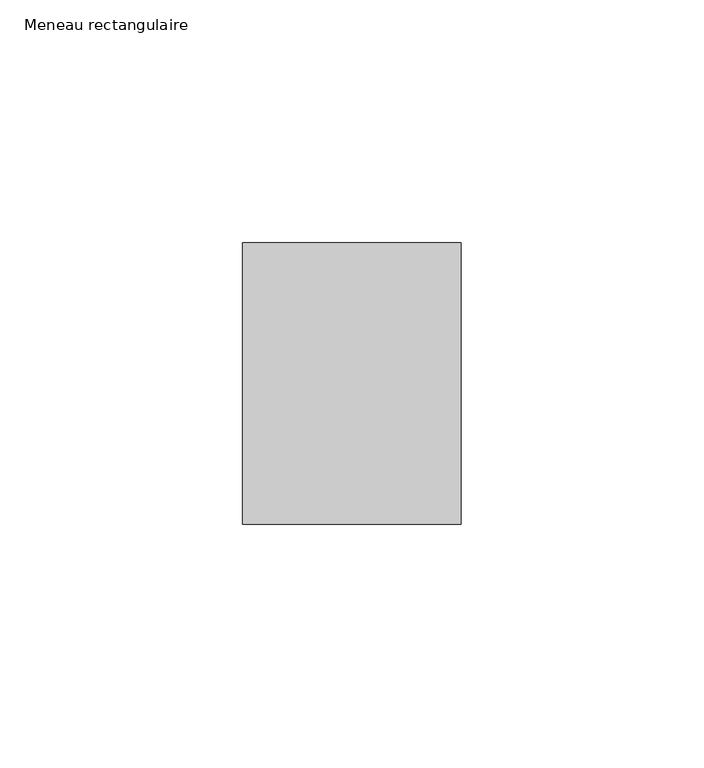
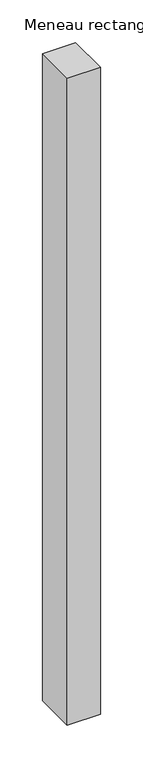
"""IFC4 building model written with IfcOpenShell, lengths in millimetres: member geometry, Meneau rectangulaire."""

import ifcopenshell
import ifcopenshell.guid

model = None  # the IFC model being written
_history = None  # IfcOwnerHistory: only IFC2X3 demands one
_inside = {}  # id of a spatial element -> (the spatial element, [elements in it])
_under = {}  # id of a project, library or spatial element -> (it, [spatial elements below it])
_declared = {}  # id of a project -> (the project, [libraries it declares])
_typed = {}  # id of a type object -> (the type object, [elements of that type])
_made_of = {}  # id of a material, layer set ... -> (it, [elements and type objects made of it])


def new_model(schema):
    """Start an empty IFC model of exactly this schema.

    Asked for "IFC4X3", IfcOpenShell would pick the latest addendum, in which some entities
    have other attributes; the version numbers below select the first issue.
    IFC2X3 requires an IfcOwnerHistory on every rooted entity: one is made here for all.
    """
    global model, _history
    if schema == "IFC4X3":
        model = ifcopenshell.file(schema_version=(4, 3, 0, 0))
    else:
        model = ifcopenshell.file(schema=schema)
    _inside.clear()
    _under.clear()
    _declared.clear()
    _typed.clear()
    _made_of.clear()
    _history = None
    if model.schema == "IFC2X3":
        org = make("IfcOrganization", Name="unknown")
        user = make(
            "IfcPersonAndOrganization",
            ThePerson=make("IfcPerson", FamilyName="unknown"),
            TheOrganization=org,
        )
        app = make(
            "IfcApplication",
            ApplicationDeveloper=org,
            Version="unknown",
            ApplicationFullName="unknown",
            ApplicationIdentifier="unknown",
        )
        _history = make(
            "IfcOwnerHistory",
            OwningUser=user,
            OwningApplication=app,
            ChangeAction="ADDED",
            CreationDate=0,
        )
    return model


def make(cls, **values):
    """One entity of the class cls with the attributes given. An attribute that is None is left unset."""
    return model.create_entity(
        cls, **{name: value for name, value in values.items() if value is not None}
    )


def rooted(cls, **values):
    """An entity with a GlobalId (a new one), such as an element, a storey or a relation."""
    return make(cls, GlobalId=ifcopenshell.guid.new(), OwnerHistory=_history, **values)


def si_unit(unit_type, name, prefix=None):
    """IfcSIUnit, for example si_unit("LENGTHUNIT", "METRE", prefix="MILLI")."""
    return make("IfcSIUnit", UnitType=unit_type, Prefix=prefix, Name=name)


def assignment(units):
    """IfcUnitAssignment: the units of a project."""
    return None if units is None else make("IfcUnitAssignment", Units=units)


def point(xyz):
    """IfcCartesianPoint."""
    return None if xyz is None else make("IfcCartesianPoint", Coordinates=xyz)


def direction(xyz):
    """IfcDirection."""
    return None if xyz is None else make("IfcDirection", DirectionRatios=xyz)


def frame(location, z_axis=None, x_axis=None):
    """IfcAxis2Placement3D, a coordinate frame: its origin and axes. An axis left out is left unset."""
    return make(
        "IfcAxis2Placement3D",
        Location=point(location),
        Axis=direction(z_axis),
        RefDirection=direction(x_axis),
    )


def origin():
    """The frame at (0, 0, 0) with its axes left unset."""
    return frame((0.0, 0.0, 0.0))


def place(relative_to, where):
    """IfcLocalPlacement: puts the frame where relative to a parent placement (None: the world)."""
    return make(
        "IfcLocalPlacement", PlacementRelTo=relative_to, RelativePlacement=where
    )


def context(
    kind, dimensions, precision=None, world=None, true_north=None, identifier=None
):
    """IfcGeometricRepresentationContext, for example the 3D "Model" context."""
    return make(
        "IfcGeometricRepresentationContext",
        ContextIdentifier=identifier,
        ContextType=kind,
        CoordinateSpaceDimension=dimensions,
        Precision=precision,
        WorldCoordinateSystem=world,
        TrueNorth=true_north,
    )


def project(units=None, contexts=None):
    """IfcProject with its units and contexts."""
    return rooted(
        "IfcProject",
        Name="project",
        RepresentationContexts=contexts,
        UnitsInContext=assignment(units),
    )


def spatial(cls, under=None, at=None, **own):
    """A site, building, storey or space (cls), placed at a placement, below another one or the project."""
    s = rooted(cls, ObjectPlacement=at, **own)
    if under is not None:
        _under.setdefault(under.id(), (under, []))[1].append(s)
    return s


def polyline(points):
    """IfcPolyline through the points."""
    return make("IfcPolyline", Points=[point(p) for p in points])


def outline(outer, holes=None, kind="AREA"):
    """IfcArbitraryClosedProfileDef: a profile drawn as a closed curve; with holes, ...WithVoids."""
    if holes is None:
        return make("IfcArbitraryClosedProfileDef", ProfileType=kind, OuterCurve=outer)
    return make(
        "IfcArbitraryProfileDefWithVoids",
        ProfileType=kind,
        OuterCurve=outer,
        InnerCurves=holes,
    )


def extrude(swept, where, along, depth):
    """IfcExtrudedAreaSolid: the profile swept, set in the frame where, extruded along a direction by depth."""
    return make(
        "IfcExtrudedAreaSolid",
        SweptArea=swept,
        Position=where,
        ExtrudedDirection=direction(along),
        Depth=depth,
    )


def shape(context_of_items, identifier, shape_type, items):
    """IfcShapeRepresentation: the items that make up one representation, for example the "Body"."""
    return make(
        "IfcShapeRepresentation",
        ContextOfItems=context_of_items,
        RepresentationIdentifier=identifier,
        RepresentationType=shape_type,
        Items=items,
    )


def source(mapping_origin, context_of_items, identifier, shape_type, items):
    """IfcRepresentationMap: a shape defined once, which mapped items show again and again."""
    return make(
        "IfcRepresentationMap",
        MappingOrigin=mapping_origin,
        MappedRepresentation=shape(context_of_items, identifier, shape_type, items),
    )


def transform(
    local_origin,
    x_axis=None,
    y_axis=None,
    z_axis=None,
    scale=None,
    scale2=None,
    scale3=None,
    uniform=True,
):
    """IfcCartesianTransformationOperator3D, or its non-uniform kind. x_axis, y_axis, z_axis: its Axis1, 2, 3."""
    if uniform:
        return make(
            "IfcCartesianTransformationOperator3D",
            Axis1=direction(x_axis),
            Axis2=direction(y_axis),
            LocalOrigin=point(local_origin),
            Scale=scale,
            Axis3=direction(z_axis),
        )
    return make(
        "IfcCartesianTransformationOperator3DnonUniform",
        Axis1=direction(x_axis),
        Axis2=direction(y_axis),
        LocalOrigin=point(local_origin),
        Scale=scale,
        Axis3=direction(z_axis),
        Scale2=scale2,
        Scale3=scale3,
    )


def mapped(mapping_source, mapping_target):
    """IfcMappedItem: shows the shape of a source again, moved by a transform."""
    return make(
        "IfcMappedItem", MappingSource=mapping_source, MappingTarget=mapping_target
    )


def made_of(thing, what):
    """Note that an element or type object is made of a material, layer set ...; save() writes the relation."""
    if what is not None:
        _made_of.setdefault(what.id(), (what, []))[1].append(thing)
    return thing


def element(
    cls,
    number,
    at=None,
    inside=None,
    cuts=None,
    type_object=None,
    material=None,
    context=None,
    identifier="Body",
    shape_type=None,
    held_by="IfcProductDefinitionShape",
    body=None,
    shapes=None,
    **own,
):
    """One element of the class cls, such as IfcWall. Its Tag is "e" and its number.

    at: its placement. inside: the storey or other place that contains it. cuts: it is an
    opening in that element (IfcRelVoidsElement). A single representation is given by context,
    identifier, shape_type and body (its items); several are given by shapes. held_by: the class
    of the entity that holds the representations. save() writes the other relations.
    """
    e = rooted(cls, Tag="e%d" % number, ObjectPlacement=at, **own)
    if body is not None:
        shapes = [shape(context, identifier, shape_type, body)]
    if shapes is not None:
        e.Representation = make(held_by, Representations=shapes)
    if inside is not None:
        _inside.setdefault(inside.id(), (inside, []))[1].append(e)
    if cuts is not None:
        rooted(
            "IfcRelVoidsElement", RelatingBuildingElement=cuts, RelatedOpeningElement=e
        )
    if type_object is not None:
        _typed.setdefault(type_object.id(), (type_object, []))[1].append(e)
    return made_of(e, material)


def aggregate(whole, parts):
    """IfcRelAggregates: a whole, such as a stair, and the parts it consists of."""
    return rooted("IfcRelAggregates", RelatingObject=whole, RelatedObjects=parts)


def save(model, path):
    """Write the relations noted so far, then the file.

    IfcRelAggregates (storeys below a building ...), IfcRelContainedInSpatialStructure (elements
    in a storey), IfcRelDefinesByType, IfcRelAssociatesMaterial and IfcRelDeclares: one each for
    every whole, place, type object, material and project.
    """
    for whole, parts in _under.values():
        aggregate(whole, parts)
    for where, things in _inside.values():
        rooted(
            "IfcRelContainedInSpatialStructure",
            RelatedElements=things,
            RelatingStructure=where,
        )
    for kind, things in _typed.values():
        rooted("IfcRelDefinesByType", RelatedObjects=things, RelatingType=kind)
    for what, things in _made_of.values():
        rooted("IfcRelAssociatesMaterial", RelatedObjects=things, RelatingMaterial=what)
    for by, libraries in _declared.values():
        rooted("IfcRelDeclares", RelatingContext=by, RelatedDefinitions=libraries)
    model.write(path)


def meneau_rectangulaire_146bd065(model_context):
    return source(origin(), model_context, "Body", "SweptSolid", [
        extrude(outline(polyline([(0.0, 29.0), (0.0, -29.0), (-45.0, -29.0), (-45.0, 29.0), (0.0, 29.0)])), frame((0.0, 0.0, -925.5040491), z_axis=(0.0, 0.0, 1.0), x_axis=(1.0, 0.0, 0.0)), (0.0, 0.0, 1.0), 925.5040491),
    ])


if __name__ == "__main__":
    model = new_model("IFC4")
    model_context = context("Model", 3, world=origin())
    ifc_project = project(units=[si_unit("LENGTHUNIT", "METRE", prefix="MILLI")], contexts=[model_context])
    site = spatial("IfcSite", under=ifc_project)
    building = spatial("IfcBuilding", under=site)
    placement = place(None, origin())
    meneau_rectangulaire_shape = meneau_rectangulaire_146bd065(model_context)
    element("IfcMember", 1, ObjectType="Meneau rectangulaire", at=placement, inside=building, context=model_context, shape_type="MappedRepresentation", body=[
        mapped(meneau_rectangulaire_shape, transform((0.0, 0.0, 0.0), x_axis=(1.0, 0.0, 0.0), y_axis=(0.0, 1.0, 0.0), z_axis=(0.0, 0.0, 1.0))),
    ])
    save(model, "model.ifc")
